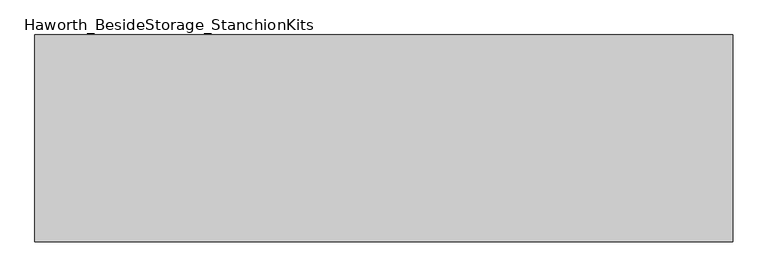
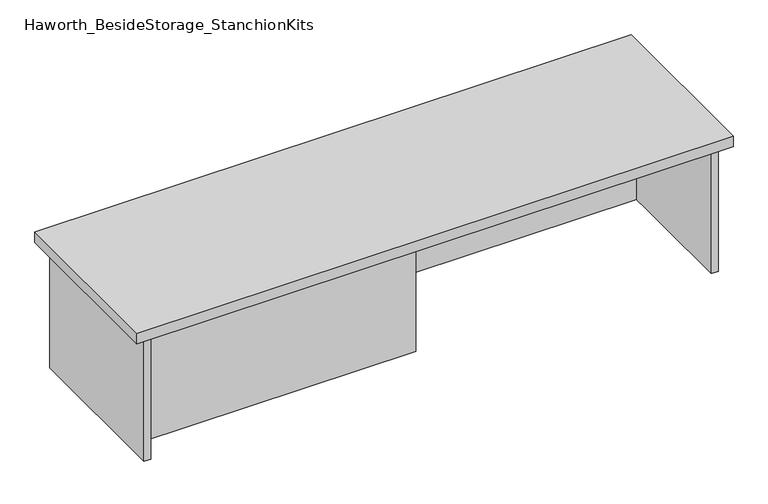
"""IFC4 building model written with IfcOpenShell, lengths in millimetres: furniture geometry, Haworth_BesideStorage_StanchionKits."""

import ifcopenshell
import ifcopenshell.guid

model = None  # the IFC model being written
_history = None  # IfcOwnerHistory: only IFC2X3 demands one
_inside = {}  # id of a spatial element -> (the spatial element, [elements in it])
_under = {}  # id of a project, library or spatial element -> (it, [spatial elements below it])
_declared = {}  # id of a project -> (the project, [libraries it declares])
_typed = {}  # id of a type object -> (the type object, [elements of that type])
_made_of = {}  # id of a material, layer set ... -> (it, [elements and type objects made of it])


def new_model(schema):
    """Start an empty IFC model of exactly this schema.

    Asked for "IFC4X3", IfcOpenShell would pick the latest addendum, in which some entities
    have other attributes; the version numbers below select the first issue.
    IFC2X3 requires an IfcOwnerHistory on every rooted entity: one is made here for all.
    """
    global model, _history
    if schema == "IFC4X3":
        model = ifcopenshell.file(schema_version=(4, 3, 0, 0))
    else:
        model = ifcopenshell.file(schema=schema)
    _inside.clear()
    _under.clear()
    _declared.clear()
    _typed.clear()
    _made_of.clear()
    _history = None
    if model.schema == "IFC2X3":
        org = make("IfcOrganization", Name="unknown")
        user = make(
            "IfcPersonAndOrganization",
            ThePerson=make("IfcPerson", FamilyName="unknown"),
            TheOrganization=org,
        )
        app = make(
            "IfcApplication",
            ApplicationDeveloper=org,
            Version="unknown",
            ApplicationFullName="unknown",
            ApplicationIdentifier="unknown",
        )
        _history = make(
            "IfcOwnerHistory",
            OwningUser=user,
            OwningApplication=app,
            ChangeAction="ADDED",
            CreationDate=0,
        )
    return model


def make(cls, **values):
    """One entity of the class cls with the attributes given. An attribute that is None is left unset."""
    return model.create_entity(
        cls, **{name: value for name, value in values.items() if value is not None}
    )


def rooted(cls, **values):
    """An entity with a GlobalId (a new one), such as an element, a storey or a relation."""
    return make(cls, GlobalId=ifcopenshell.guid.new(), OwnerHistory=_history, **values)


def si_unit(unit_type, name, prefix=None):
    """IfcSIUnit, for example si_unit("LENGTHUNIT", "METRE", prefix="MILLI")."""
    return make("IfcSIUnit", UnitType=unit_type, Prefix=prefix, Name=name)


def assignment(units):
    """IfcUnitAssignment: the units of a project."""
    return None if units is None else make("IfcUnitAssignment", Units=units)


def point(xyz):
    """IfcCartesianPoint."""
    return None if xyz is None else make("IfcCartesianPoint", Coordinates=xyz)


def direction(xyz):
    """IfcDirection."""
    return None if xyz is None else make("IfcDirection", DirectionRatios=xyz)


def frame(location, z_axis=None, x_axis=None):
    """IfcAxis2Placement3D, a coordinate frame: its origin and axes. An axis left out is left unset."""
    return make(
        "IfcAxis2Placement3D",
        Location=point(location),
        Axis=direction(z_axis),
        RefDirection=direction(x_axis),
    )


def origin():
    """The frame at (0, 0, 0) with its axes left unset."""
    return frame((0.0, 0.0, 0.0))


def place(relative_to, where):
    """IfcLocalPlacement: puts the frame where relative to a parent placement (None: the world)."""
    return make(
        "IfcLocalPlacement", PlacementRelTo=relative_to, RelativePlacement=where
    )


def context(
    kind, dimensions, precision=None, world=None, true_north=None, identifier=None
):
    """IfcGeometricRepresentationContext, for example the 3D "Model" context."""
    return make(
        "IfcGeometricRepresentationContext",
        ContextIdentifier=identifier,
        ContextType=kind,
        CoordinateSpaceDimension=dimensions,
        Precision=precision,
        WorldCoordinateSystem=world,
        TrueNorth=true_north,
    )


def project(units=None, contexts=None):
    """IfcProject with its units and contexts."""
    return rooted(
        "IfcProject",
        Name="project",
        RepresentationContexts=contexts,
        UnitsInContext=assignment(units),
    )


def spatial(cls, under=None, at=None, **own):
    """A site, building, storey or space (cls), placed at a placement, below another one or the project."""
    s = rooted(cls, ObjectPlacement=at, **own)
    if under is not None:
        _under.setdefault(under.id(), (under, []))[1].append(s)
    return s


def polyline(points):
    """IfcPolyline through the points."""
    return make("IfcPolyline", Points=[point(p) for p in points])


def outline(outer, holes=None, kind="AREA"):
    """IfcArbitraryClosedProfileDef: a profile drawn as a closed curve; with holes, ...WithVoids."""
    if holes is None:
        return make("IfcArbitraryClosedProfileDef", ProfileType=kind, OuterCurve=outer)
    return make(
        "IfcArbitraryProfileDefWithVoids",
        ProfileType=kind,
        OuterCurve=outer,
        InnerCurves=holes,
    )


def extrude(swept, where, along, depth):
    """IfcExtrudedAreaSolid: the profile swept, set in the frame where, extruded along a direction by depth."""
    return make(
        "IfcExtrudedAreaSolid",
        SweptArea=swept,
        Position=where,
        ExtrudedDirection=direction(along),
        Depth=depth,
    )


def shape(context_of_items, identifier, shape_type, items):
    """IfcShapeRepresentation: the items that make up one representation, for example the "Body"."""
    return make(
        "IfcShapeRepresentation",
        ContextOfItems=context_of_items,
        RepresentationIdentifier=identifier,
        RepresentationType=shape_type,
        Items=items,
    )


def source(mapping_origin, context_of_items, identifier, shape_type, items):
    """IfcRepresentationMap: a shape defined once, which mapped items show again and again."""
    return make(
        "IfcRepresentationMap",
        MappingOrigin=mapping_origin,
        MappedRepresentation=shape(context_of_items, identifier, shape_type, items),
    )


def transform(
    local_origin,
    x_axis=None,
    y_axis=None,
    z_axis=None,
    scale=None,
    scale2=None,
    scale3=None,
    uniform=True,
):
    """IfcCartesianTransformationOperator3D, or its non-uniform kind. x_axis, y_axis, z_axis: its Axis1, 2, 3."""
    if uniform:
        return make(
            "IfcCartesianTransformationOperator3D",
            Axis1=direction(x_axis),
            Axis2=direction(y_axis),
            LocalOrigin=point(local_origin),
            Scale=scale,
            Axis3=direction(z_axis),
        )
    return make(
        "IfcCartesianTransformationOperator3DnonUniform",
        Axis1=direction(x_axis),
        Axis2=direction(y_axis),
        LocalOrigin=point(local_origin),
        Scale=scale,
        Axis3=direction(z_axis),
        Scale2=scale2,
        Scale3=scale3,
    )


def mapped(mapping_source, mapping_target):
    """IfcMappedItem: shows the shape of a source again, moved by a transform."""
    return make(
        "IfcMappedItem", MappingSource=mapping_source, MappingTarget=mapping_target
    )


def made_of(thing, what):
    """Note that an element or type object is made of a material, layer set ...; save() writes the relation."""
    if what is not None:
        _made_of.setdefault(what.id(), (what, []))[1].append(thing)
    return thing


def element(
    cls,
    number,
    at=None,
    inside=None,
    cuts=None,
    type_object=None,
    material=None,
    context=None,
    identifier="Body",
    shape_type=None,
    held_by="IfcProductDefinitionShape",
    body=None,
    shapes=None,
    **own,
):
    """One element of the class cls, such as IfcWall. Its Tag is "e" and its number.

    at: its placement. inside: the storey or other place that contains it. cuts: it is an
    opening in that element (IfcRelVoidsElement). A single representation is given by context,
    identifier, shape_type and body (its items); several are given by shapes. held_by: the class
    of the entity that holds the representations. save() writes the other relations.
    """
    e = rooted(cls, Tag="e%d" % number, ObjectPlacement=at, **own)
    if body is not None:
        shapes = [shape(context, identifier, shape_type, body)]
    if shapes is not None:
        e.Representation = make(held_by, Representations=shapes)
    if inside is not None:
        _inside.setdefault(inside.id(), (inside, []))[1].append(e)
    if cuts is not None:
        rooted(
            "IfcRelVoidsElement", RelatingBuildingElement=cuts, RelatedOpeningElement=e
        )
    if type_object is not None:
        _typed.setdefault(type_object.id(), (type_object, []))[1].append(e)
    return made_of(e, material)


def aggregate(whole, parts):
    """IfcRelAggregates: a whole, such as a stair, and the parts it consists of."""
    return rooted("IfcRelAggregates", RelatingObject=whole, RelatedObjects=parts)


def save(model, path):
    """Write the relations noted so far, then the file.

    IfcRelAggregates (storeys below a building ...), IfcRelContainedInSpatialStructure (elements
    in a storey), IfcRelDefinesByType, IfcRelAssociatesMaterial and IfcRelDeclares: one each for
    every whole, place, type object, material and project.
    """
    for whole, parts in _under.values():
        aggregate(whole, parts)
    for where, things in _inside.values():
        rooted(
            "IfcRelContainedInSpatialStructure",
            RelatedElements=things,
            RelatingStructure=where,
        )
    for kind, things in _typed.values():
        rooted("IfcRelDefinesByType", RelatedObjects=things, RelatingType=kind)
    for what, things in _made_of.values():
        rooted("IfcRelAssociatesMaterial", RelatedObjects=things, RelatingMaterial=what)
    for by, libraries in _declared.values():
        rooted("IfcRelDeclares", RelatingContext=by, RelatedDefinitions=libraries)
    model.write(path)


def haworth_besidestorage_stanchionkits_679a216e(model_context):
    return source(origin(), model_context, "Body", "SweptSolid", [
        extrude(outline(polyline([(847.725, 0.0), (847.725, -406.4), (-523.875, -406.4), (-523.875, 0.0), (847.725, 0.0)])), frame((0.0, 0.0, 736.6), z_axis=(0.0, 0.0, 1.0), x_axis=(1.0, 0.0, 0.0)), (0.0, 0.0, 1.0), 25.4),
        extrude(outline(polyline([(161.925, -76.2), (806.45, -76.2), (806.45, -92.075), (161.925, -92.075), (161.925, -76.2)])), frame((0.0, 0.0, 431.8), z_axis=(0.0, 0.0, 1.0), x_axis=(1.0, 0.0, 0.0)), (0.0, 0.0, 1.0), 304.8),
        extrude(outline(polyline([(161.925, -314.325), (161.925, -330.2), (-482.6, -330.2), (-482.6, -314.325), (161.925, -314.325)])), frame((0.0, 0.0, 431.8), z_axis=(0.0, 0.0, 1.0), x_axis=(1.0, 0.0, 0.0)), (0.0, 0.0, 1.0), 304.8),
        extrude(outline(polyline([(822.325, -390.525), (806.45, -390.525), (806.45, -15.875), (822.325, -15.875), (822.325, -390.525)])), frame((0.0, 0.0, 431.8), z_axis=(0.0, 0.0, 1.0), x_axis=(1.0, 0.0, 0.0)), (0.0, 0.0, 1.0), 304.8),
        extrude(outline(polyline([(-482.6, -390.525), (-498.475, -390.525), (-498.475, -15.875), (-482.6, -15.875), (-482.6, -390.525)])), frame((0.0, 0.0, 431.8), z_axis=(0.0, 0.0, 1.0), x_axis=(1.0, 0.0, 0.0)), (0.0, 0.0, 1.0), 304.8),
    ])


if __name__ == "__main__":
    model = new_model("IFC4")
    model_context = context("Model", 3, world=origin())
    ifc_project = project(units=[si_unit("LENGTHUNIT", "METRE", prefix="MILLI")], contexts=[model_context])
    site = spatial("IfcSite", under=ifc_project)
    building = spatial("IfcBuilding", under=site)
    placement = place(None, origin())
    haworth_besidestorage_stanchionkits_shape = haworth_besidestorage_stanchionkits_679a216e(model_context)
    element("IfcFurniture", 1, ObjectType="Haworth_BesideStorage_StanchionKits", at=placement, inside=building, context=model_context, shape_type="MappedRepresentation", body=[
        mapped(haworth_besidestorage_stanchionkits_shape, transform((0.0, 0.0, 0.0), x_axis=(1.0, 0.0, 0.0), y_axis=(0.0, 1.0, 0.0), z_axis=(0.0, 0.0, 1.0))),
    ])
    save(model, "model.ifc")
